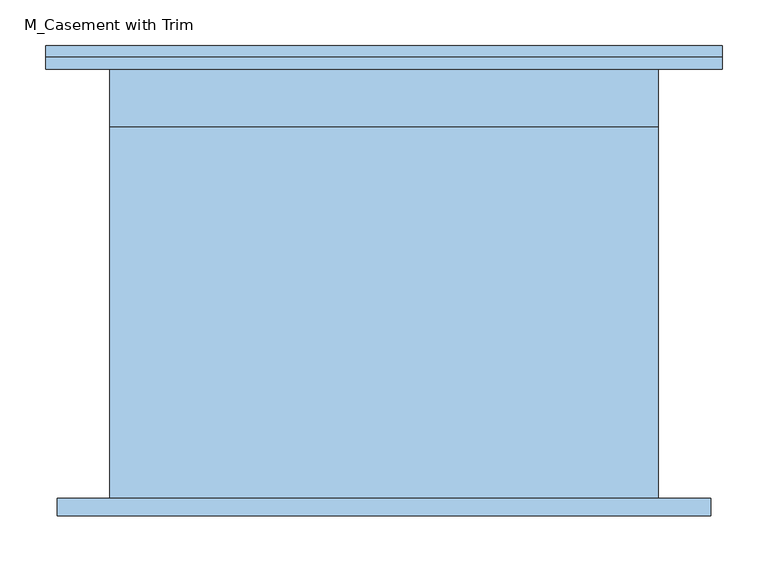
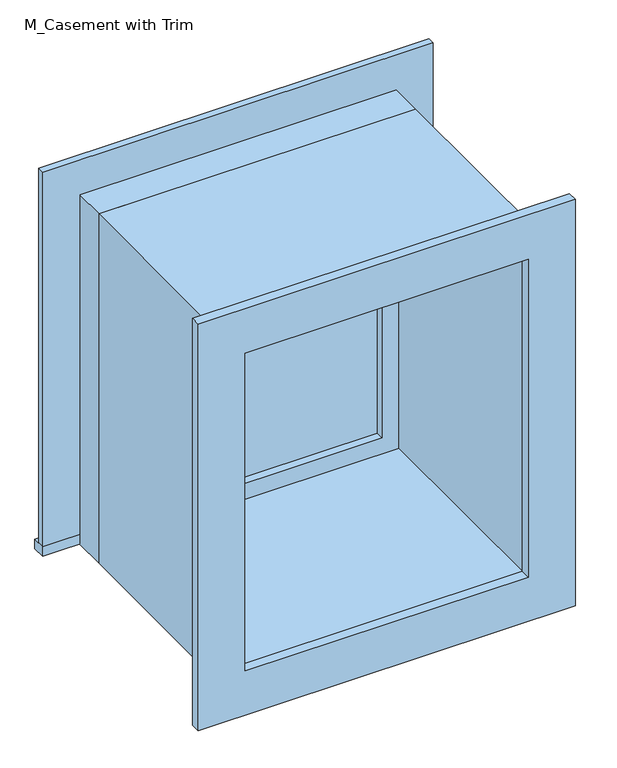
"""IFC4 building model written with IfcOpenShell, lengths in millimetres: window geometry, M_Casement with Trim."""

from ifc_helpers import new_model, si_unit, frame, origin, place, context, project, spatial, polyline, outline, extrude, source, transform, mapped, element, save


def m_casement_with_trim_bbf66914(model_context):
    return source(origin(), model_context, "Body", "SweptSolid", [
        extrude(outline(polyline([(-369.95, 260.7), (369.95, 260.7), (369.95, 235.0), (-369.95, 235.0), (-369.95, 260.7)])), frame((0.0, 0.0, 915.0), z_axis=(0.0, 0.0, 1.0), x_axis=(1.0, 0.0, 0.0)), (0.0, 0.0, 1.0), 19.05),
        extrude(outline(polyline([(1595.95, -280.95), (1595.95, 280.95), (934.05, 280.95), (934.05, 369.95), (1684.95, 369.95), (1684.95, -369.95), (934.05, -369.95), (934.05, -280.95), (1595.95, -280.95)])), frame((0.0, 235.0, 0.0), z_axis=(0.0, 1.0, 0.0), x_axis=(0.0, 0.0, 1.0)), (0.0, 0.0, 1.0), 13.0),
        extrude(outline(polyline([(1672.25, 357.25), (1672.25, -357.25), (857.75, -357.25), (857.75, 357.25), (1672.25, 357.25)]), holes=[polyline([(1583.25, 268.25), (946.75, 268.25), (946.75, -268.25), (1583.25, -268.25), (1583.25, 268.25)])]), frame((0.0, -254.0, 0.0), z_axis=(0.0, 1.0, 0.0), x_axis=(0.0, 0.0, 1.0)), (0.0, 0.0, 1.0), 19.0),
        extrude(outline(polyline([(236.5, 187.425), (-236.5, 187.425), (-236.5, 200.125), (236.5, 200.125), (236.5, 187.425)])), frame((0.0, 0.0, 978.5), z_axis=(0.0, 0.0, 1.0), x_axis=(1.0, 0.0, 0.0)), (0.0, 0.0, 1.0), 573.0),
        extrude(outline(polyline([(1595.95, -280.95), (934.05, -280.95), (934.05, 280.95), (1595.95, 280.95), (1595.95, -280.95)]), holes=[polyline([(1551.5, -236.5), (1551.5, 236.5), (978.5, 236.5), (978.5, -236.5), (1551.5, -236.5)])]), frame((0.0, 171.55, 0.0), z_axis=(0.0, 1.0, 0.0), x_axis=(0.0, 0.0, 1.0)), (0.0, 0.0, 1.0), 44.45),
        extrude(outline(polyline([(1615.0, -300.0), (915.0, -300.0), (915.0, 300.0), (1615.0, 300.0), (1615.0, -300.0)]), holes=[polyline([(1583.25, -268.25), (1583.25, 268.25), (946.75, 268.25), (946.75, -268.25), (1583.25, -268.25)])]), frame((0.0, -235.0, 0.0), z_axis=(0.0, 1.0, 0.0), x_axis=(0.0, 0.0, 1.0)), (0.0, 0.0, 1.0), 406.55),
        extrude(outline(polyline([(1615.0, 300.0), (1615.0, -300.0), (915.0, -300.0), (915.0, 300.0), (1615.0, 300.0)]), holes=[polyline([(1595.95, 280.95), (934.05, 280.95), (934.05, -280.95), (1595.95, -280.95), (1595.95, 280.95)])]), frame((0.0, 171.55, 0.0), z_axis=(0.0, 1.0, 0.0), x_axis=(0.0, 0.0, 1.0)), (0.0, 0.0, 1.0), 63.45),
    ])


if __name__ == "__main__":
    model = new_model("IFC4")
    model_context = context("Model", 3, world=origin())
    ifc_project = project(units=[si_unit("LENGTHUNIT", "METRE", prefix="MILLI")], contexts=[model_context])
    site = spatial("IfcSite", under=ifc_project)
    building = spatial("IfcBuilding", under=site)
    placement = place(None, origin())
    m_casement_with_trim_shape = m_casement_with_trim_bbf66914(model_context)
    element("IfcWindow", 1, ObjectType="M_Casement with Trim", at=placement, inside=building, context=model_context, shape_type="MappedRepresentation", body=[
        mapped(m_casement_with_trim_shape, transform((0.0, 0.0, 0.0), x_axis=(1.0, 0.0, 0.0), y_axis=(0.0, 1.0, 0.0), z_axis=(0.0, 0.0, 1.0))),
    ])
    save(model, "model.ifc")
